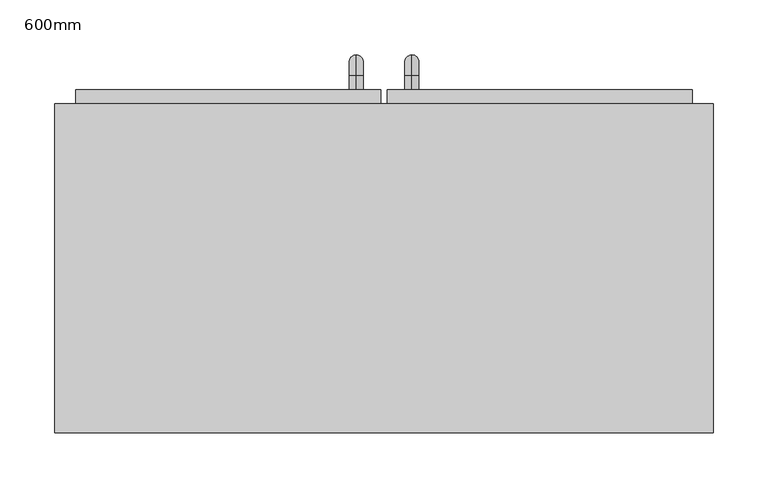
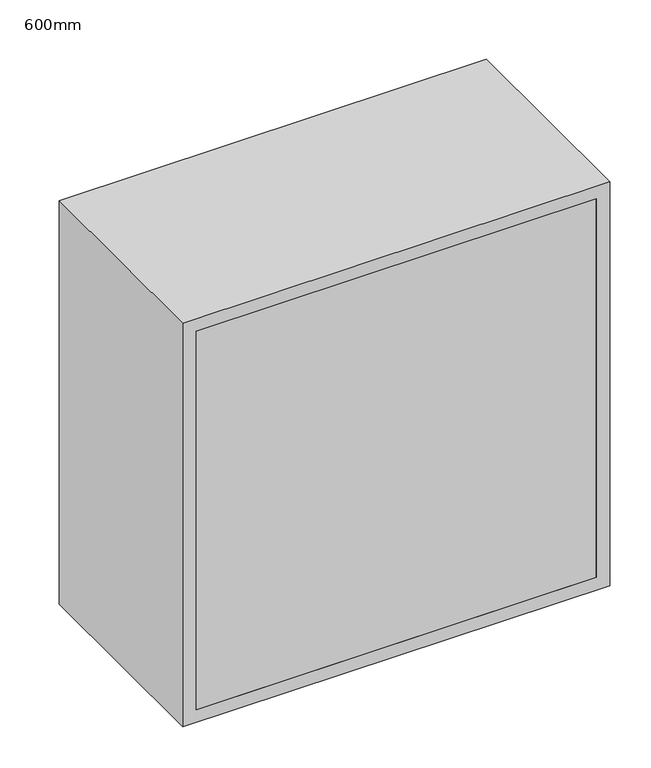
"""IFC4 building model written with IfcOpenShell, lengths in millimetres: furniture geometry, 600mm."""

from ifc_helpers import new_model, si_unit, point, frame, origin, place, context, project, spatial, polyline, circle_curve, ellipse_curve, trimmed, outline, extrude, source, transform, mapped, element, save
from ifc_brep_helpers import plane_surface, cylinder_surface, revolved_surface, advanced_brep


def furniture_600mm_93809998(model_context):
    return source(origin(), model_context, "Body", "SolidModel", [
        advanced_brep(
        [(55.1711628, 412.7, 1546.05), (55.1711628, 412.7, 1558.75), (55.1711628, 425.4, 1546.05), (55.1711628, 425.4, 1558.75), (55.1711628, 444.45, 1539.7), (55.1711628, 431.75, 1539.7), (55.1711628, 431.75, 1463.5), (55.1711628, 444.45, 1463.5), (55.1711628, 425.4, 1444.45), (55.1711628, 425.4, 1457.15), (55.1711628, 412.7, 1457.15), (55.1711628, 412.7, 1444.45)],
        [
            (0, 1, circle_curve(frame((55.1711628, 412.7, 1552.4), z_axis=(0.0, -1.0, 0.0), x_axis=(0.0, 0.0, -1.0)), 6.35)),
            (1, 0, circle_curve(frame((55.1711628, 412.7, 1552.4), z_axis=(0.0, -1.0, 0.0), x_axis=(0.0, 0.0, -1.0)), 6.35)),
            (0, 2),
            (2, 3, circle_curve(frame((55.1711628, 425.4, 1552.4), z_axis=(0.0, -1.0, 0.0), x_axis=(0.0, 0.0, -1.0)), 6.35)),
            (3, 1),
            (3, 2, circle_curve(frame((55.1711628, 425.4, 1552.4), z_axis=(0.0, -1.0, 0.0), x_axis=(0.0, 0.0, -1.0)), 6.35)),
            (4, 3, circle_curve(frame((55.1711628, 425.4, 1539.7), z_axis=(1.0, 0.0, 0.0), x_axis=(0.0, 0.0, 1.0)), 19.05)),
            (2, 5, circle_curve(frame((55.1711628, 425.4, 1539.7), z_axis=(-1.0, 0.0, 0.0), x_axis=(0.0, 0.0, 1.0)), 6.35)),
            (5, 4, circle_curve(frame((55.1711628, 438.1, 1539.7), z_axis=(0.0, 0.0, 1.0), x_axis=(0.0, -1.0, 0.0)), 6.35)),
            (4, 5, circle_curve(frame((55.1711628, 438.1, 1539.7), z_axis=(0.0, 0.0, 1.0), x_axis=(0.0, -1.0, 0.0)), 6.35)),
            (5, 6),
            (6, 7, circle_curve(frame((55.1711628, 438.1, 1463.5), z_axis=(0.0, 0.0, 1.0), x_axis=(0.0, -1.0, 0.0)), 6.35)),
            (7, 4),
            (7, 6, circle_curve(frame((55.1711628, 438.1, 1463.5), z_axis=(0.0, 0.0, 1.0), x_axis=(0.0, -1.0, 0.0)), 6.35)),
            (8, 7, circle_curve(frame((55.1711628, 425.4, 1463.5), z_axis=(1.0, 0.0, 0.0), x_axis=(0.0, 1.0, 0.0)), 19.05)),
            (6, 9, circle_curve(frame((55.1711628, 425.4, 1463.5), z_axis=(-1.0, 0.0, 0.0), x_axis=(0.0, 1.0, 0.0)), 6.35)),
            (9, 8, circle_curve(frame((55.1711628, 425.4, 1450.8), z_axis=(0.0, 1.0, 0.0), x_axis=(0.0, 0.0, 1.0)), 6.35)),
            (8, 9, circle_curve(frame((55.1711628, 425.4, 1450.8), z_axis=(0.0, 1.0, 0.0), x_axis=(0.0, 0.0, 1.0)), 6.35)),
            (10, 11, circle_curve(frame((55.1711628, 412.7, 1450.8), z_axis=(0.0, -1.0, 0.0), x_axis=(0.0, 0.0, 1.0)), 6.35)),
            (11, 10, circle_curve(frame((55.1711628, 412.7, 1450.8), z_axis=(0.0, -1.0, 0.0), x_axis=(0.0, 0.0, 1.0)), 6.35)),
            (9, 10),
            (11, 8),
        ],
        [
            plane_surface(frame((48.8211628, 412.7, 1552.4), z_axis=(0.0, -1.0, 0.0), x_axis=(0.0, 0.0, 1.0))),
            cylinder_surface(frame((55.1711628, 412.7, 1552.4), z_axis=(0.0, -1.0, 0.0), x_axis=(0.0, 0.0, -1.0)), 6.35),
            revolved_surface(trimmed(ellipse_curve(frame((55.1711628, 425.4, 1552.4), z_axis=(0.0, -1.0, 0.0), x_axis=(0.0, 0.0, -1.0)), 6.35, 6.35), [point((55.1711628, 425.4, 1546.05))], [point((55.1711628, 425.4, 1558.75))], True, "CARTESIAN"), (55.1711628, 425.4, 1539.7), (-1.0, 0.0, 0.0)),
            revolved_surface(trimmed(ellipse_curve(frame((55.1711628, 425.4, 1552.4), z_axis=(0.0, -1.0, 0.0), x_axis=(0.0, 0.0, -1.0)), 6.35, 6.35), [point((55.1711628, 425.4, 1558.75))], [point((55.1711628, 425.4, 1546.05))], True, "CARTESIAN"), (55.1711628, 425.4, 1539.7), (-1.0, 0.0, 0.0)),
            cylinder_surface(frame((55.1711628, 438.1, 1539.7), z_axis=(0.0, 0.0, 1.0), x_axis=(0.0, -1.0, 0.0)), 6.35),
            revolved_surface(trimmed(ellipse_curve(frame((55.1711628, 438.1, 1463.5), z_axis=(0.0, 0.0, 1.0), x_axis=(0.0, -1.0, 0.0)), 6.35, 6.35), [point((55.1711628, 431.75, 1463.5))], [point((55.1711628, 444.45, 1463.5))], True, "CARTESIAN"), (55.1711628, 425.4, 1463.5), (-1.0, 0.0, 0.0)),
            revolved_surface(trimmed(ellipse_curve(frame((55.1711628, 438.1, 1463.5), z_axis=(0.0, 0.0, 1.0), x_axis=(0.0, -1.0, 0.0)), 6.35, 6.35), [point((55.1711628, 444.45, 1463.5))], [point((55.1711628, 431.75, 1463.5))], True, "CARTESIAN"), (55.1711628, 425.4, 1463.5), (-1.0, 0.0, 0.0)),
            plane_surface(frame((48.8211628, 412.7, 1450.8), z_axis=(0.0, -1.0, 0.0), x_axis=(0.0, 0.0, -1.0))),
            cylinder_surface(frame((55.1711628, 425.4, 1450.8), z_axis=(0.0, 1.0, 0.0), x_axis=(0.0, 0.0, 1.0)), 6.35),
        ],
        [
            (0, [[1, 2]]),
            (1, [[-1, 3, 4, 5]]),
            (1, [[-2, -5, 6, -3]]),
            (2, [[7, -4, 8, 9]]),
            (3, [[-8, -6, -7, 10]]),
            (4, [[-9, 11, 12, 13]]),
            (4, [[-10, -13, 14, -11]]),
            (5, [[15, -12, 16, 17]]),
            (6, [[-16, -14, -15, 18]]),
            (7, [[19, 20]]),
            (8, [[-17, 21, -20, 22]]),
            (8, [[-18, -22, -19, -21]]),
        ],
    ),
        advanced_brep(
        [(4.3711628, 412.7, 1546.05), (4.3711628, 412.7, 1558.75), (4.3711628, 425.4, 1546.05), (4.3711628, 425.4, 1558.75), (4.3711628, 444.45, 1539.7), (4.3711628, 431.75, 1539.7), (4.3711628, 431.75, 1463.5), (4.3711628, 444.45, 1463.5), (4.3711628, 425.4, 1444.45), (4.3711628, 425.4, 1457.15), (4.3711628, 412.7, 1457.15), (4.3711628, 412.7, 1444.45)],
        [
            (0, 1, circle_curve(frame((4.3711628, 412.7, 1552.4), z_axis=(0.0, -1.0, 0.0), x_axis=(0.0, 0.0, 1.0)), 6.35)),
            (1, 0, circle_curve(frame((4.3711628, 412.7, 1552.4), z_axis=(0.0, -1.0, 0.0), x_axis=(0.0, 0.0, 1.0)), 6.35)),
            (0, 2),
            (2, 3, circle_curve(frame((4.3711628, 425.4, 1552.4), z_axis=(0.0, -1.0, 0.0), x_axis=(0.0, 0.0, 1.0)), 6.35)),
            (3, 1),
            (3, 2, circle_curve(frame((4.3711628, 425.4, 1552.4), z_axis=(0.0, -1.0, 0.0), x_axis=(0.0, 0.0, 1.0)), 6.35)),
            (4, 3, circle_curve(frame((4.3711628, 425.4, 1539.7), z_axis=(1.0, 0.0, 0.0), x_axis=(0.0, 0.0, 1.0)), 19.05)),
            (2, 5, circle_curve(frame((4.3711628, 425.4, 1539.7), z_axis=(-1.0, 0.0, 0.0), x_axis=(0.0, 0.0, 1.0)), 6.35)),
            (5, 4, circle_curve(frame((4.3711628, 438.1, 1539.7), z_axis=(0.0, 0.0, 1.0), x_axis=(0.0, 1.0, 0.0)), 6.35)),
            (4, 5, circle_curve(frame((4.3711628, 438.1, 1539.7), z_axis=(0.0, 0.0, 1.0), x_axis=(0.0, 1.0, 0.0)), 6.35)),
            (5, 6),
            (6, 7, circle_curve(frame((4.3711628, 438.1, 1463.5), z_axis=(0.0, 0.0, 1.0), x_axis=(0.0, 1.0, 0.0)), 6.35)),
            (7, 4),
            (7, 6, circle_curve(frame((4.3711628, 438.1, 1463.5), z_axis=(0.0, 0.0, 1.0), x_axis=(0.0, 1.0, 0.0)), 6.35)),
            (8, 7, circle_curve(frame((4.3711628, 425.4, 1463.5), z_axis=(1.0, 0.0, 0.0), x_axis=(0.0, 1.0, 0.0)), 19.05)),
            (6, 9, circle_curve(frame((4.3711628, 425.4, 1463.5), z_axis=(-1.0, 0.0, 0.0), x_axis=(0.0, 1.0, 0.0)), 6.35)),
            (9, 8, circle_curve(frame((4.3711628, 425.4, 1450.8), z_axis=(0.0, 1.0, 0.0), x_axis=(0.0, 0.0, -1.0)), 6.35)),
            (8, 9, circle_curve(frame((4.3711628, 425.4, 1450.8), z_axis=(0.0, 1.0, 0.0), x_axis=(0.0, 0.0, -1.0)), 6.35)),
            (10, 11, circle_curve(frame((4.3711628, 412.7, 1450.8), z_axis=(0.0, -1.0, 0.0), x_axis=(0.0, 0.0, -1.0)), 6.35)),
            (11, 10, circle_curve(frame((4.3711628, 412.7, 1450.8), z_axis=(0.0, -1.0, 0.0), x_axis=(0.0, 0.0, -1.0)), 6.35)),
            (9, 10),
            (11, 8),
        ],
        [
            plane_surface(frame((-1.9788372, 412.7, 1552.4), z_axis=(0.0, -1.0, 0.0), x_axis=(0.0, 0.0, 1.0))),
            cylinder_surface(frame((4.3711628, 412.7, 1552.4), z_axis=(0.0, -1.0, 0.0), x_axis=(0.0, 0.0, 1.0)), 6.35),
            revolved_surface(trimmed(ellipse_curve(frame((4.3711628, 425.4, 1552.4), z_axis=(0.0, -1.0, 0.0), x_axis=(0.0, 0.0, 1.0)), 6.35, 6.35), [point((4.3711628, 425.4, 1546.05))], [point((4.3711628, 425.4, 1558.75))], True, "CARTESIAN"), (4.3711628, 425.4, 1539.7), (-1.0, 0.0, 0.0)),
            revolved_surface(trimmed(ellipse_curve(frame((4.3711628, 425.4, 1552.4), z_axis=(0.0, -1.0, 0.0), x_axis=(0.0, 0.0, 1.0)), 6.35, 6.35), [point((4.3711628, 425.4, 1558.75))], [point((4.3711628, 425.4, 1546.05))], True, "CARTESIAN"), (4.3711628, 425.4, 1539.7), (-1.0, 0.0, 0.0)),
            cylinder_surface(frame((4.3711628, 438.1, 1539.7), z_axis=(0.0, 0.0, 1.0), x_axis=(0.0, 1.0, 0.0)), 6.35),
            revolved_surface(trimmed(ellipse_curve(frame((4.3711628, 438.1, 1463.5), z_axis=(0.0, 0.0, 1.0), x_axis=(0.0, 1.0, 0.0)), 6.35, 6.35), [point((4.3711628, 431.75, 1463.5))], [point((4.3711628, 444.45, 1463.5))], True, "CARTESIAN"), (4.3711628, 425.4, 1463.5), (-1.0, 0.0, 0.0)),
            revolved_surface(trimmed(ellipse_curve(frame((4.3711628, 438.1, 1463.5), z_axis=(0.0, 0.0, 1.0), x_axis=(0.0, 1.0, 0.0)), 6.35, 6.35), [point((4.3711628, 444.45, 1463.5))], [point((4.3711628, 431.75, 1463.5))], True, "CARTESIAN"), (4.3711628, 425.4, 1463.5), (-1.0, 0.0, 0.0)),
            plane_surface(frame((-1.9788372, 412.7, 1450.8), z_axis=(0.0, -1.0, 0.0), x_axis=(0.0, 0.0, -1.0))),
            cylinder_surface(frame((4.3711628, 425.4, 1450.8), z_axis=(0.0, 1.0, 0.0), x_axis=(0.0, 0.0, -1.0)), 6.35),
        ],
        [
            (0, [[1, 2]]),
            (1, [[-1, 3, 4, 5]]),
            (1, [[-2, -5, 6, -3]]),
            (2, [[7, -4, 8, 9]]),
            (3, [[-8, -6, -7, 10]]),
            (4, [[-9, 11, 12, 13]]),
            (4, [[-10, -13, 14, -11]]),
            (5, [[15, -12, 16, 17]]),
            (6, [[-16, -14, -15, 18]]),
            (7, [[19, 20]]),
            (8, [[-17, 21, -20, 22]]),
            (8, [[-18, -22, -19, -21]]),
        ],
    ),
        extrude(outline(polyline([(32.9461628, 412.7), (310.7211628, 412.7), (310.7211628, 380.95), (32.9461628, 380.95), (32.9461628, 412.7)])), frame((0.0, 0.0, 1419.05), z_axis=(0.0, 0.0, 1.0), x_axis=(1.0, 0.0, 0.0)), (0.0, 0.0, 1.0), 561.9),
        extrude(outline(polyline([(-251.1788372, 412.7), (26.5961628, 412.7), (26.5961628, 380.95), (-251.1788372, 380.95), (-251.1788372, 412.7)])), frame((0.0, 0.0, 1419.05), z_axis=(0.0, 0.0, 1.0), x_axis=(1.0, 0.0, 0.0)), (0.0, 0.0, 1.0), 561.9),
        extrude(outline(polyline([(310.7211628, 100.0), (-251.1788372, 100.0), (-251.1788372, 119.05), (310.7211628, 119.05), (310.7211628, 100.0)])), frame((0.0, 0.0, 1419.05), z_axis=(0.0, 0.0, 1.0), x_axis=(1.0, 0.0, 0.0)), (0.0, 0.0, 1.0), 561.9),
        extrude(outline(polyline([(2000.0, -270.2288372), (1400.0, -270.2288372), (1400.0, 329.7711628), (2000.0, 329.7711628), (2000.0, -270.2288372)]), holes=[polyline([(1980.95, -251.1788372), (1980.95, 310.7211628), (1419.05, 310.7211628), (1419.05, -251.1788372), (1980.95, -251.1788372)])]), frame((0.0, 100.0, 0.0), z_axis=(0.0, 1.0, 0.0), x_axis=(0.0, 0.0, 1.0)), (0.0, 0.0, 1.0), 300.0),
    ])


if __name__ == "__main__":
    model = new_model("IFC4")
    model_context = context("Model", 3, world=origin())
    ifc_project = project(units=[si_unit("LENGTHUNIT", "METRE", prefix="MILLI")], contexts=[model_context])
    site = spatial("IfcSite", under=ifc_project)
    building = spatial("IfcBuilding", under=site)
    placement = place(None, origin())
    furniture_600mm_shape = furniture_600mm_93809998(model_context)
    element("IfcFurniture", 1, ObjectType="600mm", at=placement, inside=building, context=model_context, shape_type="MappedRepresentation", body=[
        mapped(furniture_600mm_shape, transform((0.0, 0.0, 0.0), x_axis=(1.0, 0.0, 0.0), y_axis=(0.0, 1.0, 0.0), z_axis=(0.0, 0.0, 1.0))),
    ])
    save(model, "model.ifc")
